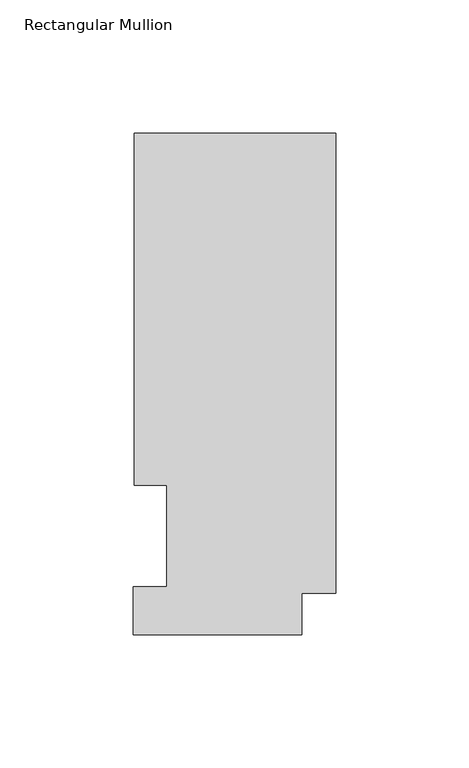
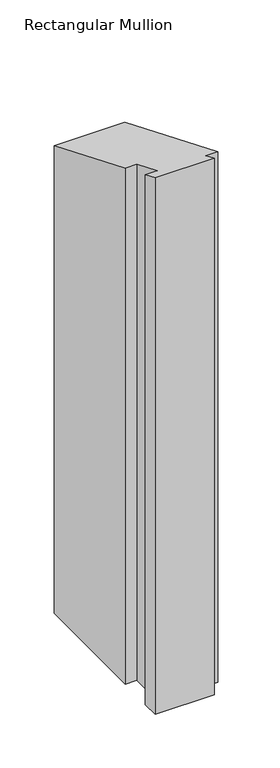
"""IFC4 building model written with IfcOpenShell, lengths in millimetres: member geometry, Rectangular Mullion."""

import ifcopenshell
import ifcopenshell.guid

model = None  # the IFC model being written
_history = None  # IfcOwnerHistory: only IFC2X3 demands one
_inside = {}  # id of a spatial element -> (the spatial element, [elements in it])
_under = {}  # id of a project, library or spatial element -> (it, [spatial elements below it])
_declared = {}  # id of a project -> (the project, [libraries it declares])
_typed = {}  # id of a type object -> (the type object, [elements of that type])
_made_of = {}  # id of a material, layer set ... -> (it, [elements and type objects made of it])


def new_model(schema):
    """Start an empty IFC model of exactly this schema.

    Asked for "IFC4X3", IfcOpenShell would pick the latest addendum, in which some entities
    have other attributes; the version numbers below select the first issue.
    IFC2X3 requires an IfcOwnerHistory on every rooted entity: one is made here for all.
    """
    global model, _history
    if schema == "IFC4X3":
        model = ifcopenshell.file(schema_version=(4, 3, 0, 0))
    else:
        model = ifcopenshell.file(schema=schema)
    _inside.clear()
    _under.clear()
    _declared.clear()
    _typed.clear()
    _made_of.clear()
    _history = None
    if model.schema == "IFC2X3":
        org = make("IfcOrganization", Name="unknown")
        user = make(
            "IfcPersonAndOrganization",
            ThePerson=make("IfcPerson", FamilyName="unknown"),
            TheOrganization=org,
        )
        app = make(
            "IfcApplication",
            ApplicationDeveloper=org,
            Version="unknown",
            ApplicationFullName="unknown",
            ApplicationIdentifier="unknown",
        )
        _history = make(
            "IfcOwnerHistory",
            OwningUser=user,
            OwningApplication=app,
            ChangeAction="ADDED",
            CreationDate=0,
        )
    return model


def make(cls, **values):
    """One entity of the class cls with the attributes given. An attribute that is None is left unset."""
    return model.create_entity(
        cls, **{name: value for name, value in values.items() if value is not None}
    )


def rooted(cls, **values):
    """An entity with a GlobalId (a new one), such as an element, a storey or a relation."""
    return make(cls, GlobalId=ifcopenshell.guid.new(), OwnerHistory=_history, **values)


def si_unit(unit_type, name, prefix=None):
    """IfcSIUnit, for example si_unit("LENGTHUNIT", "METRE", prefix="MILLI")."""
    return make("IfcSIUnit", UnitType=unit_type, Prefix=prefix, Name=name)


def assignment(units):
    """IfcUnitAssignment: the units of a project."""
    return None if units is None else make("IfcUnitAssignment", Units=units)


def point(xyz):
    """IfcCartesianPoint."""
    return None if xyz is None else make("IfcCartesianPoint", Coordinates=xyz)


def direction(xyz):
    """IfcDirection."""
    return None if xyz is None else make("IfcDirection", DirectionRatios=xyz)


def frame(location, z_axis=None, x_axis=None):
    """IfcAxis2Placement3D, a coordinate frame: its origin and axes. An axis left out is left unset."""
    return make(
        "IfcAxis2Placement3D",
        Location=point(location),
        Axis=direction(z_axis),
        RefDirection=direction(x_axis),
    )


def origin():
    """The frame at (0, 0, 0) with its axes left unset."""
    return frame((0.0, 0.0, 0.0))


def place(relative_to, where):
    """IfcLocalPlacement: puts the frame where relative to a parent placement (None: the world)."""
    return make(
        "IfcLocalPlacement", PlacementRelTo=relative_to, RelativePlacement=where
    )


def context(
    kind, dimensions, precision=None, world=None, true_north=None, identifier=None
):
    """IfcGeometricRepresentationContext, for example the 3D "Model" context."""
    return make(
        "IfcGeometricRepresentationContext",
        ContextIdentifier=identifier,
        ContextType=kind,
        CoordinateSpaceDimension=dimensions,
        Precision=precision,
        WorldCoordinateSystem=world,
        TrueNorth=true_north,
    )


def project(units=None, contexts=None):
    """IfcProject with its units and contexts."""
    return rooted(
        "IfcProject",
        Name="project",
        RepresentationContexts=contexts,
        UnitsInContext=assignment(units),
    )


def spatial(cls, under=None, at=None, **own):
    """A site, building, storey or space (cls), placed at a placement, below another one or the project."""
    s = rooted(cls, ObjectPlacement=at, **own)
    if under is not None:
        _under.setdefault(under.id(), (under, []))[1].append(s)
    return s


def faces_of(points, faces, orient=None, outer=None):
    """IfcFace entities. A face is a list of loops; a loop is a list of indices into points, from 0.

    orient and outer hold one flag for each loop. By default every Orientation is true, the
    first loop of a face is its IfcFaceOuterBound and the others are IfcFaceBound.
    """
    made = []
    for i, loops in enumerate(faces):
        bounds = []
        for j, loop in enumerate(loops):
            is_outer = j == 0 if outer is None else outer[i][j]
            bounds.append(
                make(
                    "IfcFaceOuterBound" if is_outer else "IfcFaceBound",
                    Bound=make("IfcPolyLoop", Polygon=[points[k] for k in loop]),
                    Orientation=True if orient is None else orient[i][j],
                )
            )
        made.append(make("IfcFace", Bounds=bounds))
    return made


def faceted_brep(points, faces, orient=None, outer=None, voids=None):
    """IfcFacetedBrep: a solid bounded by flat faces; with voids (closed shells), ...WithVoids."""
    shared = [point(p) for p in points]
    hull = make("IfcClosedShell", CfsFaces=faces_of(shared, faces, orient, outer))
    if voids is None:
        return make("IfcFacetedBrep", Outer=hull)
    return make(
        "IfcFacetedBrepWithVoids",
        Outer=hull,
        Voids=[
            make(cls, CfsFaces=faces_of(shared, fs, o, b)) for cls, fs, o, b in voids
        ],
    )


def shape(context_of_items, identifier, shape_type, items):
    """IfcShapeRepresentation: the items that make up one representation, for example the "Body"."""
    return make(
        "IfcShapeRepresentation",
        ContextOfItems=context_of_items,
        RepresentationIdentifier=identifier,
        RepresentationType=shape_type,
        Items=items,
    )


def source(mapping_origin, context_of_items, identifier, shape_type, items):
    """IfcRepresentationMap: a shape defined once, which mapped items show again and again."""
    return make(
        "IfcRepresentationMap",
        MappingOrigin=mapping_origin,
        MappedRepresentation=shape(context_of_items, identifier, shape_type, items),
    )


def transform(
    local_origin,
    x_axis=None,
    y_axis=None,
    z_axis=None,
    scale=None,
    scale2=None,
    scale3=None,
    uniform=True,
):
    """IfcCartesianTransformationOperator3D, or its non-uniform kind. x_axis, y_axis, z_axis: its Axis1, 2, 3."""
    if uniform:
        return make(
            "IfcCartesianTransformationOperator3D",
            Axis1=direction(x_axis),
            Axis2=direction(y_axis),
            LocalOrigin=point(local_origin),
            Scale=scale,
            Axis3=direction(z_axis),
        )
    return make(
        "IfcCartesianTransformationOperator3DnonUniform",
        Axis1=direction(x_axis),
        Axis2=direction(y_axis),
        LocalOrigin=point(local_origin),
        Scale=scale,
        Axis3=direction(z_axis),
        Scale2=scale2,
        Scale3=scale3,
    )


def mapped(mapping_source, mapping_target):
    """IfcMappedItem: shows the shape of a source again, moved by a transform."""
    return make(
        "IfcMappedItem", MappingSource=mapping_source, MappingTarget=mapping_target
    )


def made_of(thing, what):
    """Note that an element or type object is made of a material, layer set ...; save() writes the relation."""
    if what is not None:
        _made_of.setdefault(what.id(), (what, []))[1].append(thing)
    return thing


def element(
    cls,
    number,
    at=None,
    inside=None,
    cuts=None,
    type_object=None,
    material=None,
    context=None,
    identifier="Body",
    shape_type=None,
    held_by="IfcProductDefinitionShape",
    body=None,
    shapes=None,
    **own,
):
    """One element of the class cls, such as IfcWall. Its Tag is "e" and its number.

    at: its placement. inside: the storey or other place that contains it. cuts: it is an
    opening in that element (IfcRelVoidsElement). A single representation is given by context,
    identifier, shape_type and body (its items); several are given by shapes. held_by: the class
    of the entity that holds the representations. save() writes the other relations.
    """
    e = rooted(cls, Tag="e%d" % number, ObjectPlacement=at, **own)
    if body is not None:
        shapes = [shape(context, identifier, shape_type, body)]
    if shapes is not None:
        e.Representation = make(held_by, Representations=shapes)
    if inside is not None:
        _inside.setdefault(inside.id(), (inside, []))[1].append(e)
    if cuts is not None:
        rooted(
            "IfcRelVoidsElement", RelatingBuildingElement=cuts, RelatedOpeningElement=e
        )
    if type_object is not None:
        _typed.setdefault(type_object.id(), (type_object, []))[1].append(e)
    return made_of(e, material)


def aggregate(whole, parts):
    """IfcRelAggregates: a whole, such as a stair, and the parts it consists of."""
    return rooted("IfcRelAggregates", RelatingObject=whole, RelatedObjects=parts)


def save(model, path):
    """Write the relations noted so far, then the file.

    IfcRelAggregates (storeys below a building ...), IfcRelContainedInSpatialStructure (elements
    in a storey), IfcRelDefinesByType, IfcRelAssociatesMaterial and IfcRelDeclares: one each for
    every whole, place, type object, material and project.
    """
    for whole, parts in _under.values():
        aggregate(whole, parts)
    for where, things in _inside.values():
        rooted(
            "IfcRelContainedInSpatialStructure",
            RelatedElements=things,
            RelatingStructure=where,
        )
    for kind, things in _typed.values():
        rooted("IfcRelDefinesByType", RelatedObjects=things, RelatingType=kind)
    for what, things in _made_of.values():
        rooted("IfcRelAssociatesMaterial", RelatedObjects=things, RelatingMaterial=what)
    for by, libraries in _declared.values():
        rooted("IfcRelDeclares", RelatingContext=by, RelatedDefinitions=libraries)
    model.write(path)


def rectangular_mullion_0f08739c(model_context):
    return source(origin(), model_context, "Body", "Brep", [
        faceted_brep([(-12.7, 0.5199063, -609.6), (-76.2, 0.5199063, -609.6), (-76.2, 18.5539063, -609.6), (-63.5, 18.5539062, -609.6), (-63.5, 56.6539062, -609.6), (-75.7936, 56.6539063, -609.6), (-75.7936, 189.0895063, -609.6), (0.0, 189.0895063, -609.6), (0.0, 16.1663063, -609.6), (-12.7, 16.1663063, -609.6), (-12.7, 16.1663063, -6.6963033), (-12.7, 0.5199063, -0.2153522), (0.0, 16.1663063, -6.6963033), (0.0, 189.0895063, -78.323438), (-75.7936, 189.0895063, -78.323438), (-75.7936, 56.6539063, -23.4668163), (-63.5, 56.6539062, -23.4668163), (-63.5, 18.5539062, -7.6852796), (-76.2, 18.5539063, -7.6852796), (-76.2, 0.5199063, -0.2153522)], [[[0, 1, 2, 3, 4, 5, 6, 7, 8, 9]], [[10, 11, 0, 9]], [[12, 10, 9, 8]], [[13, 12, 8, 7]], [[14, 13, 7, 6]], [[15, 14, 6, 5]], [[16, 15, 5, 4]], [[17, 16, 4, 3]], [[18, 17, 3, 2]], [[19, 18, 2, 1]], [[11, 19, 1, 0]], [[11, 10, 12, 13, 14, 15, 16, 17, 18, 19]]]),
    ])


if __name__ == "__main__":
    model = new_model("IFC4")
    model_context = context("Model", 3, world=origin())
    ifc_project = project(units=[si_unit("LENGTHUNIT", "METRE", prefix="MILLI")], contexts=[model_context])
    site = spatial("IfcSite", under=ifc_project)
    building = spatial("IfcBuilding", under=site)
    placement = place(None, origin())
    rectangular_mullion_shape = rectangular_mullion_0f08739c(model_context)
    element("IfcMember", 1, ObjectType="Rectangular Mullion", at=placement, inside=building, context=model_context, shape_type="MappedRepresentation", body=[
        mapped(rectangular_mullion_shape, transform((0.0, 0.0, 0.0), x_axis=(1.0, 0.0, 0.0), y_axis=(0.0, 1.0, 0.0), z_axis=(0.0, 0.0, 1.0))),
    ])
    save(model, "model.ifc")
